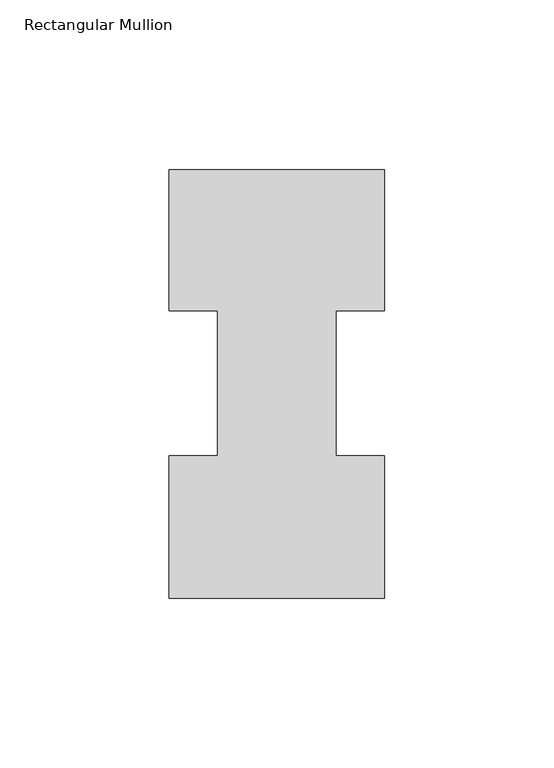
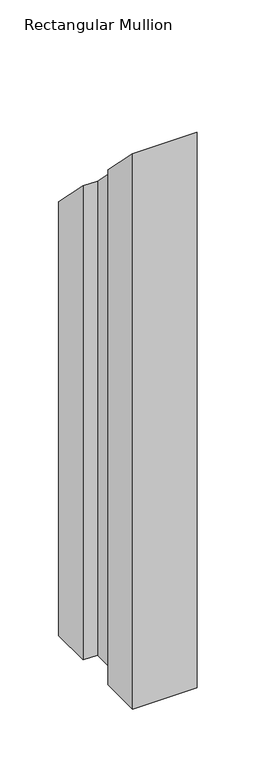
"""IFC4 building model written with IfcOpenShell, lengths in millimetres: member geometry, Rectangular Mullion."""

from ifc_helpers import new_model, si_unit, origin, place, context, project, spatial, faceted_brep, source, transform, mapped, element, save


def rectangular_mullion_890cb242(model_context):
    return source(origin(), model_context, "Body", "Brep", [
        faceted_brep([(-63.5, 0.04445, -577.81825), (-63.5, 42.08145, -577.81825), (-49.2125, 42.08145, -577.81825), (-49.2125, 84.93125, -577.81825), (-63.5, 84.93125, -577.81825), (-63.5, 126.53645, -577.81825), (0.0, 126.53645, -577.81825), (0.0, 84.93125, -577.81825), (-14.2748, 84.93125, -577.81825), (-14.2748, 42.08145, -577.81825), (0.0, 42.08145, -577.81825), (0.0, 0.04445, -577.81825), (0.0, 0.04445, -0.04445), (-63.5, 0.04445, -0.04445), (0.0, 42.08145, -42.08145), (-14.2748, 42.08145, -42.08145), (-14.2748, 84.93125, -84.93125), (0.0, 84.93125, -84.93125), (0.0, 126.53645, -126.53645), (-63.5, 126.53645, -126.53645), (-63.5, 84.93125, -84.93125), (-49.2125, 84.93125, -84.93125), (-49.2125, 42.08145, -42.08145), (-63.5, 42.08145, -42.08145)], [[[0, 1, 2, 3, 4, 5, 6, 7, 8, 9, 10, 11]], [[12, 13, 0, 11]], [[14, 12, 11, 10]], [[15, 14, 10, 9]], [[16, 15, 9, 8]], [[17, 16, 8, 7]], [[18, 17, 7, 6]], [[19, 18, 6, 5]], [[20, 19, 5, 4]], [[21, 20, 4, 3]], [[22, 21, 3, 2]], [[23, 22, 2, 1]], [[13, 23, 1, 0]], [[13, 12, 14, 15, 16, 17, 18, 19, 20, 21, 22, 23]]]),
    ])


if __name__ == "__main__":
    model = new_model("IFC4")
    model_context = context("Model", 3, world=origin())
    ifc_project = project(units=[si_unit("LENGTHUNIT", "METRE", prefix="MILLI")], contexts=[model_context])
    site = spatial("IfcSite", under=ifc_project)
    building = spatial("IfcBuilding", under=site)
    placement = place(None, origin())
    rectangular_mullion_shape = rectangular_mullion_890cb242(model_context)
    element("IfcMember", 1, ObjectType="Rectangular Mullion", at=placement, inside=building, context=model_context, shape_type="MappedRepresentation", body=[
        mapped(rectangular_mullion_shape, transform((0.0, 0.0, 0.0), x_axis=(1.0, 0.0, 0.0), y_axis=(0.0, 1.0, 0.0), z_axis=(0.0, 0.0, 1.0))),
    ])
    save(model, "model.ifc")
